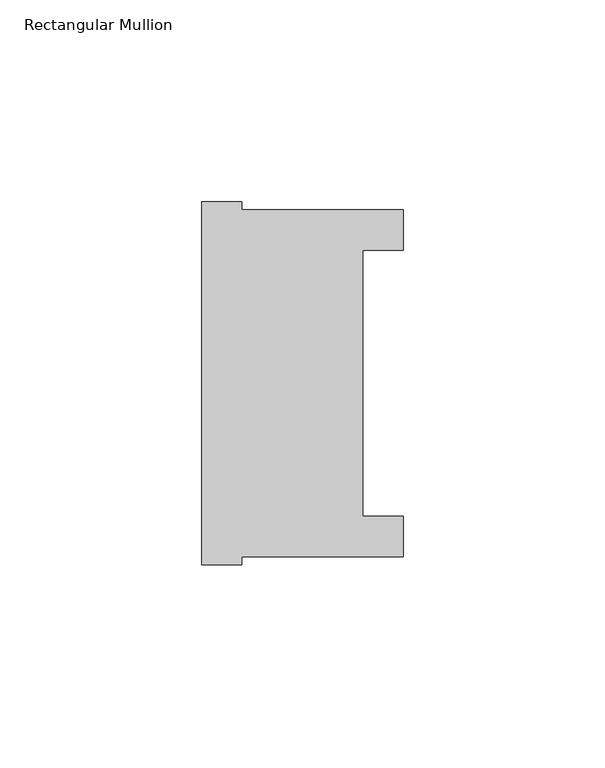
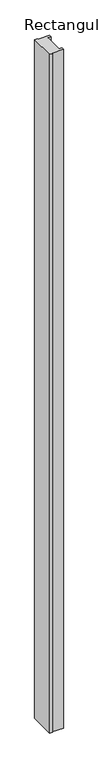
"""IFC4 building model written with IfcOpenShell, lengths in millimetres: member geometry, Rectangular Mullion."""

from ifc_helpers import new_model, si_unit, frame, origin, place, context, project, spatial, polyline, outline, extrude, source, transform, mapped, element, save


def rectangular_mullion_d5a944fb(model_context):
    return source(origin(), model_context, "Body", "SweptSolid", [
        extrude(outline(polyline([(-50.0, -44.8550798), (-50.0, 45.1449202), (-40.0, 45.1449202), (-40.0, 43.1449202), (0.0, 43.1449202), (0.0, 33.1449202), (-10.0, 33.1449202), (-10.0, -32.8550798), (0.0, -32.8550798), (0.0, -42.8550798), (-40.0, -42.8550798), (-40.0, -44.8550798), (-50.0, -44.8550798)])), frame((0.0, 0.0, -2500.0), z_axis=(0.0, 0.0, 1.0), x_axis=(1.0, 0.0, 0.0)), (0.0, 0.0, 1.0), 2500.0),
    ])


if __name__ == "__main__":
    model = new_model("IFC4")
    model_context = context("Model", 3, world=origin())
    ifc_project = project(units=[si_unit("LENGTHUNIT", "METRE", prefix="MILLI")], contexts=[model_context])
    site = spatial("IfcSite", under=ifc_project)
    building = spatial("IfcBuilding", under=site)
    placement = place(None, origin())
    rectangular_mullion_shape = rectangular_mullion_d5a944fb(model_context)
    element("IfcMember", 1, ObjectType="Rectangular Mullion", at=placement, inside=building, context=model_context, shape_type="MappedRepresentation", body=[
        mapped(rectangular_mullion_shape, transform((0.0, 0.0, 0.0), x_axis=(1.0, 0.0, 0.0), y_axis=(0.0, 1.0, 0.0), z_axis=(0.0, 0.0, 1.0))),
    ])
    save(model, "model.ifc")
